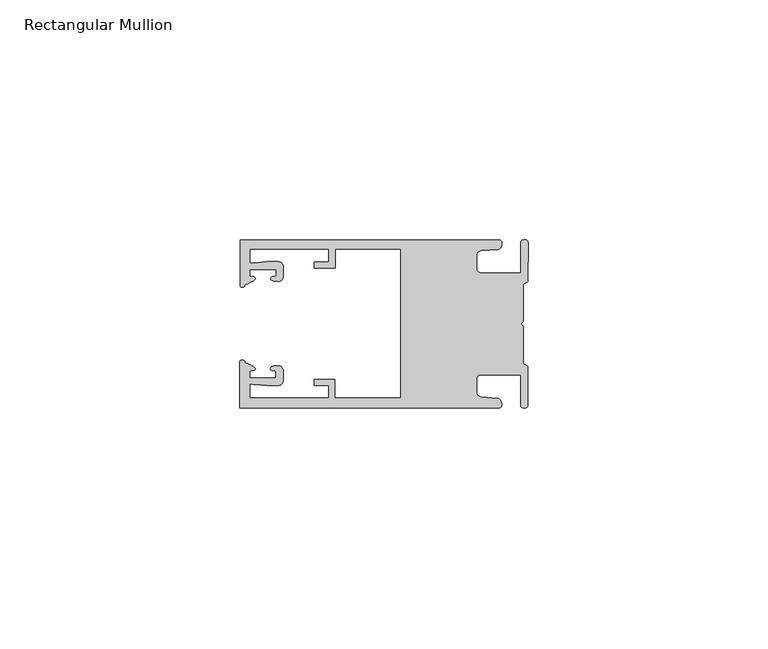
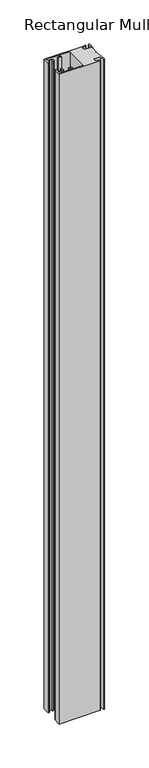
"""IFC4 building model written with IfcOpenShell, lengths in millimetres: member geometry, Rectangular Mullion."""

import ifcopenshell
import ifcopenshell.guid

model = None  # the IFC model being written
_history = None  # IfcOwnerHistory: only IFC2X3 demands one
_inside = {}  # id of a spatial element -> (the spatial element, [elements in it])
_under = {}  # id of a project, library or spatial element -> (it, [spatial elements below it])
_declared = {}  # id of a project -> (the project, [libraries it declares])
_typed = {}  # id of a type object -> (the type object, [elements of that type])
_made_of = {}  # id of a material, layer set ... -> (it, [elements and type objects made of it])


def new_model(schema):
    """Start an empty IFC model of exactly this schema.

    Asked for "IFC4X3", IfcOpenShell would pick the latest addendum, in which some entities
    have other attributes; the version numbers below select the first issue.
    IFC2X3 requires an IfcOwnerHistory on every rooted entity: one is made here for all.
    """
    global model, _history
    if schema == "IFC4X3":
        model = ifcopenshell.file(schema_version=(4, 3, 0, 0))
    else:
        model = ifcopenshell.file(schema=schema)
    _inside.clear()
    _under.clear()
    _declared.clear()
    _typed.clear()
    _made_of.clear()
    _history = None
    if model.schema == "IFC2X3":
        org = make("IfcOrganization", Name="unknown")
        user = make(
            "IfcPersonAndOrganization",
            ThePerson=make("IfcPerson", FamilyName="unknown"),
            TheOrganization=org,
        )
        app = make(
            "IfcApplication",
            ApplicationDeveloper=org,
            Version="unknown",
            ApplicationFullName="unknown",
            ApplicationIdentifier="unknown",
        )
        _history = make(
            "IfcOwnerHistory",
            OwningUser=user,
            OwningApplication=app,
            ChangeAction="ADDED",
            CreationDate=0,
        )
    return model


def make(cls, **values):
    """One entity of the class cls with the attributes given. An attribute that is None is left unset."""
    return model.create_entity(
        cls, **{name: value for name, value in values.items() if value is not None}
    )


def rooted(cls, **values):
    """An entity with a GlobalId (a new one), such as an element, a storey or a relation."""
    return make(cls, GlobalId=ifcopenshell.guid.new(), OwnerHistory=_history, **values)


def si_unit(unit_type, name, prefix=None):
    """IfcSIUnit, for example si_unit("LENGTHUNIT", "METRE", prefix="MILLI")."""
    return make("IfcSIUnit", UnitType=unit_type, Prefix=prefix, Name=name)


def assignment(units):
    """IfcUnitAssignment: the units of a project."""
    return None if units is None else make("IfcUnitAssignment", Units=units)


def point(xyz):
    """IfcCartesianPoint."""
    return None if xyz is None else make("IfcCartesianPoint", Coordinates=xyz)


def direction(xyz):
    """IfcDirection."""
    return None if xyz is None else make("IfcDirection", DirectionRatios=xyz)


def frame(location, z_axis=None, x_axis=None):
    """IfcAxis2Placement3D, a coordinate frame: its origin and axes. An axis left out is left unset."""
    return make(
        "IfcAxis2Placement3D",
        Location=point(location),
        Axis=direction(z_axis),
        RefDirection=direction(x_axis),
    )


def origin():
    """The frame at (0, 0, 0) with its axes left unset."""
    return frame((0.0, 0.0, 0.0))


def place(relative_to, where):
    """IfcLocalPlacement: puts the frame where relative to a parent placement (None: the world)."""
    return make(
        "IfcLocalPlacement", PlacementRelTo=relative_to, RelativePlacement=where
    )


def context(
    kind, dimensions, precision=None, world=None, true_north=None, identifier=None
):
    """IfcGeometricRepresentationContext, for example the 3D "Model" context."""
    return make(
        "IfcGeometricRepresentationContext",
        ContextIdentifier=identifier,
        ContextType=kind,
        CoordinateSpaceDimension=dimensions,
        Precision=precision,
        WorldCoordinateSystem=world,
        TrueNorth=true_north,
    )


def project(units=None, contexts=None):
    """IfcProject with its units and contexts."""
    return rooted(
        "IfcProject",
        Name="project",
        RepresentationContexts=contexts,
        UnitsInContext=assignment(units),
    )


def spatial(cls, under=None, at=None, **own):
    """A site, building, storey or space (cls), placed at a placement, below another one or the project."""
    s = rooted(cls, ObjectPlacement=at, **own)
    if under is not None:
        _under.setdefault(under.id(), (under, []))[1].append(s)
    return s


def circle_curve(where, radius):
    """IfcCircle in the frame where."""
    return make("IfcCircle", Position=where, Radius=radius)


def shape(context_of_items, identifier, shape_type, items):
    """IfcShapeRepresentation: the items that make up one representation, for example the "Body"."""
    return make(
        "IfcShapeRepresentation",
        ContextOfItems=context_of_items,
        RepresentationIdentifier=identifier,
        RepresentationType=shape_type,
        Items=items,
    )


def source(mapping_origin, context_of_items, identifier, shape_type, items):
    """IfcRepresentationMap: a shape defined once, which mapped items show again and again."""
    return make(
        "IfcRepresentationMap",
        MappingOrigin=mapping_origin,
        MappedRepresentation=shape(context_of_items, identifier, shape_type, items),
    )


def transform(
    local_origin,
    x_axis=None,
    y_axis=None,
    z_axis=None,
    scale=None,
    scale2=None,
    scale3=None,
    uniform=True,
):
    """IfcCartesianTransformationOperator3D, or its non-uniform kind. x_axis, y_axis, z_axis: its Axis1, 2, 3."""
    if uniform:
        return make(
            "IfcCartesianTransformationOperator3D",
            Axis1=direction(x_axis),
            Axis2=direction(y_axis),
            LocalOrigin=point(local_origin),
            Scale=scale,
            Axis3=direction(z_axis),
        )
    return make(
        "IfcCartesianTransformationOperator3DnonUniform",
        Axis1=direction(x_axis),
        Axis2=direction(y_axis),
        LocalOrigin=point(local_origin),
        Scale=scale,
        Axis3=direction(z_axis),
        Scale2=scale2,
        Scale3=scale3,
    )


def mapped(mapping_source, mapping_target):
    """IfcMappedItem: shows the shape of a source again, moved by a transform."""
    return make(
        "IfcMappedItem", MappingSource=mapping_source, MappingTarget=mapping_target
    )


def made_of(thing, what):
    """Note that an element or type object is made of a material, layer set ...; save() writes the relation."""
    if what is not None:
        _made_of.setdefault(what.id(), (what, []))[1].append(thing)
    return thing


def element(
    cls,
    number,
    at=None,
    inside=None,
    cuts=None,
    type_object=None,
    material=None,
    context=None,
    identifier="Body",
    shape_type=None,
    held_by="IfcProductDefinitionShape",
    body=None,
    shapes=None,
    **own,
):
    """One element of the class cls, such as IfcWall. Its Tag is "e" and its number.

    at: its placement. inside: the storey or other place that contains it. cuts: it is an
    opening in that element (IfcRelVoidsElement). A single representation is given by context,
    identifier, shape_type and body (its items); several are given by shapes. held_by: the class
    of the entity that holds the representations. save() writes the other relations.
    """
    e = rooted(cls, Tag="e%d" % number, ObjectPlacement=at, **own)
    if body is not None:
        shapes = [shape(context, identifier, shape_type, body)]
    if shapes is not None:
        e.Representation = make(held_by, Representations=shapes)
    if inside is not None:
        _inside.setdefault(inside.id(), (inside, []))[1].append(e)
    if cuts is not None:
        rooted(
            "IfcRelVoidsElement", RelatingBuildingElement=cuts, RelatedOpeningElement=e
        )
    if type_object is not None:
        _typed.setdefault(type_object.id(), (type_object, []))[1].append(e)
    return made_of(e, material)


def aggregate(whole, parts):
    """IfcRelAggregates: a whole, such as a stair, and the parts it consists of."""
    return rooted("IfcRelAggregates", RelatingObject=whole, RelatedObjects=parts)


def save(model, path):
    """Write the relations noted so far, then the file.

    IfcRelAggregates (storeys below a building ...), IfcRelContainedInSpatialStructure (elements
    in a storey), IfcRelDefinesByType, IfcRelAssociatesMaterial and IfcRelDeclares: one each for
    every whole, place, type object, material and project.
    """
    for whole, parts in _under.values():
        aggregate(whole, parts)
    for where, things in _inside.values():
        rooted(
            "IfcRelContainedInSpatialStructure",
            RelatedElements=things,
            RelatingStructure=where,
        )
    for kind, things in _typed.values():
        rooted("IfcRelDefinesByType", RelatedObjects=things, RelatingType=kind)
    for what, things in _made_of.values():
        rooted("IfcRelAssociatesMaterial", RelatedObjects=things, RelatingMaterial=what)
    for by, libraries in _declared.values():
        rooted("IfcRelDeclares", RelatingContext=by, RelatedDefinitions=libraries)
    model.write(path)


def plane_surface(at):
    """IfcPlane: the flat surface through the origin of the frame at, square to its z axis."""
    return make("IfcPlane", Position=at)


def cylinder_surface(at, radius):
    """IfcCylindricalSurface: all points at the distance radius from the z axis of the frame at."""
    return make("IfcCylindricalSurface", Position=at, Radius=radius)


def extruded_surface(curve, direction_of_extrusion, depth):
    """IfcSurfaceOfLinearExtrusion: the curve pushed along a direction by depth."""
    return make(
        "IfcSurfaceOfLinearExtrusion",
        SweptCurve=make("IfcArbitraryOpenProfileDef", ProfileType="CURVE", Curve=curve),
        ExtrudedDirection=direction(direction_of_extrusion),
        Depth=depth,
    )


def spline_curve(degree, points, multiplicities, knots, weights=None):
    """IfcBSplineCurveWithKnots; with weights, IfcRationalBSplineCurveWithKnots."""
    own = dict(
        Degree=degree,
        ControlPointsList=[point(p) for p in points],
        CurveForm="UNSPECIFIED",
        ClosedCurve=False,
        SelfIntersect=False,
        KnotMultiplicities=multiplicities,
        Knots=knots,
        KnotSpec="UNSPECIFIED",
    )
    if weights is None:
        return make("IfcBSplineCurveWithKnots", **own)
    return make("IfcRationalBSplineCurveWithKnots", WeightsData=weights, **own)


def advanced_brep(points, edges, surfaces, faces):
    """IfcAdvancedBrep: a solid bounded by faces that lie on surfaces and meet in shared edges.

    An edge is (start, end): straight between two places in points (the first is 0);
    or (start, end, curve); or (start, end, curve, False) where it runs against its curve.
    A face is (place in surfaces, loops), or (place, loops, False) where it looks against
    its surface's normal. A loop lists edges by number (the first is 1), with a minus sign
    where the edge is run from its end to its start. The first loop is the outer one.
    """
    corners = [point(p) for p in points]
    vertices = [make("IfcVertexPoint", VertexGeometry=c) for c in corners]
    made = []
    for start, end, *more in edges:
        made.append(
            make(
                "IfcEdgeCurve",
                EdgeStart=vertices[start],
                EdgeEnd=vertices[end],
                EdgeGeometry=more[0] if more else make("IfcPolyline", Points=[corners[start], corners[end]]),
                SameSense=more[1] if len(more) > 1 else True,
            )
        )
    hull = []
    for where, loops, *sense in faces:
        bounds = []
        for j, loop in enumerate(loops):
            ring = [make("IfcOrientedEdge", EdgeElement=made[abs(k) - 1], Orientation=k > 0) for k in loop]
            bounds.append(
                make(
                    "IfcFaceOuterBound" if j == 0 else "IfcFaceBound",
                    Bound=make("IfcEdgeLoop", EdgeList=ring),
                    Orientation=True,
                )
            )
        hull.append(make("IfcAdvancedFace", Bounds=bounds, FaceSurface=surfaces[where], SameSense=sense[0] if sense else True))
    return make("IfcAdvancedBrep", Outer=make("IfcClosedShell", CfsFaces=hull))


def rectangular_mullion_248843b6(model_context):
    return source(origin(), model_context, "Body", "AdvancedBrep", [
        advanced_brep(
        [(-60.0749377, 17.5111528, 0.0), (-60.0749377, 8.0140787, 0.0), (-59.3252567, 7.7187455, 0.0), (-58.4967974, 8.36785, 0.0), (-58.0726619, 10.1173923, 0.0), (-58.0713101, 11.3673916, 0.0), (-52.5713133, 11.3614437, 0.0), (-52.5726651, 10.1114444, 0.0), (-53.1427626, 8.8955539, 0.0), (-52.0740172, 8.8609044, 0.0), (-51.0729364, 9.8598224, 0.0), (-51.0706653, 11.9598211, 0.0), (-52.0700692, 12.9609024, 0.0), (-54.3905105, 12.9622843, 0.0), (-57.1599646, 12.7230061, 0.0), (-58.0696339, 12.9173907, 0.0), (-58.066768, 15.5673891, 0.0), (-41.5667584, 15.5673891, 0.0), (-41.5695894, 12.9495468, 0.0), (-44.5695877, 12.9527912, 0.0), (-44.5709936, 11.6527919, 0.0), (-40.2709961, 11.6481417, 0.0), (-40.2667576, 15.5673891, 0.0), (-26.6002952, 15.5673891, 0.0), (-26.6002952, -15.4518424, 0.0), (-40.3003032, -15.4518424, 0.0), (-40.2960856, -11.5518447, 0.0), (-44.5960831, -11.5471945, 0.0), (-44.597489, -12.8471938, 0.0), (-41.5974907, -12.8504381, 0.0), (-41.6003025, -15.4504366, 0.0), (-58.1002928, -15.4325927, 0.0), (-58.097427, -12.7825943, 0.0), (-57.1873395, -12.5901776, 0.0), (-54.4184094, -12.8354453, 0.0), (-52.0979705, -12.8390822, 0.0), (-51.0964037, -11.8401649, 0.0), (-51.0941327, -9.7401662, 0.0), (-52.0930507, -8.7390853, 0.0), (-53.1618685, -8.7714231, 0.0), (-52.5944022, -9.9885439, 0.0), (-52.595754, -11.2385431, 0.0), (-58.0957508, -11.2325952, 0.0), (-58.094399, -9.9825959, 0.0), (-58.5147494, -8.2321403, 0.0), (-59.3418028, -7.5812455, 0.0), (-60.0921208, -7.8749565, 0.0), (-60.0921208, -17.4888267, 0.0), (-6.1024861, -17.4888267, 0.0), (-6.5218639, -15.488372, 0.0), (-9.8784944, -15.2205466, 0.0), (-10.7989567, -14.2226333, 0.0), (-10.7961029, -11.5837474, 0.0), (-9.8734844, -10.5878272, 0.0), (-1.5950266, -10.5934991, 0.0), (-1.601948, -16.9936935, 0.0), (-0.1017194, -16.7830581, 0.0), (-0.0933208, -9.0170082, 0.0), (-1.0923837, -8.1499018, 0.0), (-1.0842165, -0.5977972, 0.0), (-1.0829111, 0.6093089, 0.0), (-1.0747439, 8.1614135, 0.0), (-0.0738079, 9.026357, 0.0), (-0.0654093, 16.7924069, 0.0), (-1.5651789, 17.0062866, 0.0), (-1.5651789, 10.6183257, 0.0), (-9.8505511, 10.6183257, 0.0), (-10.7710133, 11.6162391, 0.0), (-10.7681595, 14.255125, 0.0), (-9.845541, 15.2510452, 0.0), (-6.4883391, 15.5116099, 0.0), (-6.0646356, 17.5111528, 0.0), (-60.0749377, 17.5111528, -901.7), (-6.0646356, 17.5111528, -901.7), (-6.4883391, 15.5116099, -901.7), (-9.845541, 15.2510452, -901.7), (-10.7681595, 14.255125, -901.7), (-10.7710133, 11.6162391, -901.7), (-9.8505511, 10.6183257, -901.7), (-1.5651789, 10.6183257, -901.7), (-1.5651789, 17.0062866, -901.7), (-0.0654093, 16.7924069, -901.7), (-0.0738079, 9.026357, -901.7), (-1.0747439, 8.1614135, -901.7), (-1.0829111, 0.6093089, -901.7), (-1.0842165, -0.5977972, -901.7), (-1.0923837, -8.1499018, -901.7), (-0.0933208, -9.0170082, -901.7), (-0.1017194, -16.7830581, -901.7), (-1.601948, -16.9936935, -901.7), (-1.5950266, -10.5934991, -901.7), (-9.8734844, -10.5878272, -901.7), (-10.7961029, -11.5837474, -901.7), (-10.7989567, -14.2226333, -901.7), (-9.8784944, -15.2205466, -901.7), (-6.5218639, -15.488372, -901.7), (-6.1024861, -17.4888267, -901.7), (-60.0921208, -17.4888267, -901.7), (-60.0921208, -7.8749565, -901.7), (-59.3418028, -7.5812455, -901.7), (-58.5147494, -8.2321403, -901.7), (-58.094399, -9.9825959, -901.7), (-58.0957508, -11.2325952, -901.7), (-52.595754, -11.2385431, -901.7), (-52.5944022, -9.9885439, -901.7), (-53.1618685, -8.7714231, -901.7), (-52.0930507, -8.7390853, -901.7), (-51.0941327, -9.7401662, -901.7), (-51.0964037, -11.8401649, -901.7), (-52.0979705, -12.8390823, -901.7), (-54.4184094, -12.8354453, -901.7), (-57.1873395, -12.5901776, -901.7), (-58.097427, -12.7825943, -901.7), (-58.1002928, -15.4325927, -901.7), (-41.6003025, -15.4504366, -901.7), (-41.5974907, -12.8504381, -901.7), (-44.597489, -12.8471938, -901.7), (-44.5960831, -11.5471945, -901.7), (-40.2960856, -11.5518447, -901.7), (-40.3003032, -15.4518424, -901.7), (-26.6002952, -15.4518424, -901.7), (-26.6002952, 15.5673891, -901.7), (-40.2667576, 15.5673891, -901.7), (-40.2709961, 11.6481417, -901.7), (-44.5709936, 11.6527919, -901.7), (-44.5695877, 12.9527912, -901.7), (-41.5695894, 12.9495468, -901.7), (-41.5667584, 15.5673891, -901.7), (-58.066768, 15.5673891, -901.7), (-58.0696339, 12.9173907, -901.7), (-57.1599646, 12.7230061, -901.7), (-54.3905105, 12.9622843, -901.7), (-52.0700692, 12.9609023, -901.7), (-51.0706653, 11.9598211, -901.7), (-51.0729364, 9.8598224, -901.7), (-52.0740172, 8.8609044, -901.7), (-53.1427626, 8.8955539, -901.7), (-52.5726651, 10.1114444, -901.7), (-52.5713133, 11.3614437, -901.7), (-58.0713101, 11.3673916, -901.7), (-58.0726619, 10.1173923, -901.7), (-58.4967974, 8.36785, -901.7), (-59.3252567, 7.7187455, -901.7), (-60.0749377, 8.0140787, -901.7)],
        [
            (0, 1),
            (1, 2, spline_curve(3, [(-60.0749377, 8.0140787, 0.0), (-60.075233123, 7.740904774, 0.0), (-59.825339491, 7.642460332, 0.0), (-59.3252567, 7.7187455, 0.0)], [4, 4], [0.0, 0.0019169337574178654])),
            (2, 3, spline_curve(3, [(-59.3252567, 7.7187455, 0.0), (-59.094460914, 7.75918372, 0.0), (-59.054835463, 7.902257199, 0.0), (-59.05559987, 8.233305614, 0.0), (-59.138729113, 8.4134359, 0.0), (-58.4967974, 8.36785, 0.0)], [4, 2, 4], [0.0, 0.0010199524164107188, 0.0024874514725970356])),
            (3, 4, spline_curve(3, [(-58.4967974, 8.36785, 0.0), (-57.022393378, 9.053435667, 0.0), (-56.827266887, 9.364828726, 0.0), (-56.982213078, 9.742623404, 0.0), (-57.177375211, 9.855581791, 0.0), (-57.697928101, 9.887955071, 0.0), (-57.997449153, 9.835475348, 0.0), (-58.0726619, 10.1173923, 0.0)], [4, 2, 2, 4], [0.0, 0.003269869179570428, 0.005490050486237203, 0.0073545767114364426])),
            (4, 5),
            (5, 6),
            (6, 7),
            (7, 8, spline_curve(3, [(-52.5726651, 10.1114444, 0.0), (-52.667195519, 9.760172042, 0.0), (-52.937094388, 9.861877724, 0.0), (-53.356237032, 9.895631753, 0.0), (-53.491940439, 9.811038713, 0.0), (-53.761900775, 9.511438033, 0.0), (-53.892893546, 9.278787104, 0.0), (-53.1427626, 8.8955539, 0.0)], [4, 2, 2, 4], [0.0, 0.001593963049934732, 0.0033360256320283306, 0.005339140673503943])),
            (8, 9),
            (9, 10, circle_curve(frame((-52.0729358, 9.8609038, 0.0), z_axis=(0.0, 0.0, 1.0), x_axis=(-0.0010814451158600304, -0.9999994152380598, 0.0)), 1.0)),
            (10, 11),
            (11, 12, circle_curve(frame((-52.0706647, 11.9609026, 0.0), z_axis=(0.0, 0.0, 1.0), x_axis=(-0.0010814451158600304, -0.9999994152380598, 0.0)), 1.0)),
            (12, 13),
            (13, 14),
            (14, 15, spline_curve(3, [(-57.1599646, 12.7230061, 0.0), (-57.631533854, 12.682262968, 0.0), (-58.018602985, 12.477800124, 0.0), (-58.0696339, 12.9173907, 0.0)], [4, 4], [0.0, 0.0014803385355886016])),
            (15, 16),
            (16, 17),
            (17, 18),
            (18, 19),
            (19, 20),
            (20, 21),
            (21, 22),
            (22, 23),
            (23, 24),
            (24, 25),
            (25, 26),
            (26, 27),
            (27, 28),
            (28, 29),
            (29, 30),
            (30, 31),
            (31, 32),
            (32, 33, spline_curve(3, [(-58.097427, -12.7825943, 0.0), (-58.045445419, -12.343115126, 0.0), (-57.658819528, -12.548414611, 0.0), (-57.1873395, -12.5901776, 0.0)], [4, 4], [0.0, 0.0014803385355886016])),
            (33, 34),
            (34, 35),
            (35, 36, circle_curve(frame((-52.0964031, -11.8390835, 0.0), z_axis=(0.0, 0.0, 1.0), x_axis=(0.0010814451158600304, 0.9999994152380598, 0.0)), 1.0)),
            (36, 37),
            (37, 38, circle_curve(frame((-52.0941321, -9.7390847, 0.0), z_axis=(0.0, 0.0, 1.0), x_axis=(0.0010814451158600304, 0.9999994152380598, 0.0)), 1.0)),
            (38, 39),
            (39, 40, spline_curve(3, [(-53.1618685, -8.7714231, 0.0), (-53.912826582, -9.153032958, 0.0), (-53.782337352, -9.385966711, 0.0), (-53.51302565, -9.686150585, 0.0), (-53.377505444, -9.771037009, 0.0), (-52.958290774, -9.738189618, 0.0), (-52.688172635, -9.637067904, 0.0), (-52.5944022, -9.9885439, 0.0)], [4, 2, 2, 4], [0.0, 0.002003115041475612, 0.0037451776235692107, 0.005339140673503943])),
            (40, 41),
            (41, 42),
            (42, 43),
            (43, 44, spline_curve(3, [(-58.094399, -9.9825959, 0.0), (-58.018576674, -9.700842284, 0.0), (-57.719169706, -9.753969703, 0.0), (-57.198548014, -9.722722397, 0.0), (-57.003142178, -9.61018632, 0.0), (-56.847379222, -9.232727657, 0.0), (-57.041831673, -8.920913336, 0.0), (-58.5147494, -8.2321403, 0.0)], [4, 2, 2, 4], [0.0, 0.0018645262251992395, 0.004084707531866015, 0.0073545767114364426])),
            (44, 45, spline_curve(3, [(-58.5147494, -8.2321403, 0.0), (-59.156778208, -8.276337666, 0.0), (-59.073259494, -8.096387681, 0.0), (-59.071779067, -7.765341694, 0.0), (-59.111095017, -7.622182811, 0.0), (-59.3418028, -7.5812455, 0.0)], [4, 2, 4], [0.0, 0.0014674990561863168, 0.0024874514725970356])),
            (45, 46, spline_curve(3, [(-59.3418028, -7.5812455, 0.0), (-59.841719425, -7.503878887, 0.0), (-60.091825377, -7.601782574, 0.0), (-60.0921208, -7.8749565, 0.0)], [4, 4], [0.0, 0.0019169337574178654])),
            (46, 47),
            (47, 48),
            (48, 49, spline_curve(3, [(-6.1024861, -17.4888267, 0.0), (-5.074532184, -17.418062188, 0.0), (-5.631140689, -15.411414367, 0.0), (-6.5218639, -15.488372, 0.0)], [4, 4], [0.0, 0.0043819361547461745])),
            (49, 50),
            (50, 51, spline_curve(3, [(-9.8784944, -15.2205466, 0.0), (-10.440691543, -15.150698463, 0.0), (-10.74751234, -14.818060727, 0.0), (-10.7989567, -14.2226333, 0.0)], [4, 4], [0.0, 0.0028645797420738927])),
            (51, 52),
            (52, 53, spline_curve(3, [(-10.7961029, -11.5837474, 0.0), (-10.743370817, -10.988432634, 0.0), (-10.435831301, -10.656459204, 0.0), (-9.8734844, -10.5878272, 0.0)], [4, 4], [0.0, 0.0028645797420738927])),
            (53, 54),
            (54, 55),
            (55, 56, spline_curve(3, [(-1.601948, -16.9936935, 0.0), (-1.655676874, -17.600261454, 0.0), (-0.043737403, -17.912795581, 0.0), (-0.1017194, -16.7830581, 0.0)], [4, 4], [0.0, 0.0036987374396357936])),
            (56, 57),
            (57, 58, spline_curve(3, [(-0.0933208, -9.0170082, 0.0), (-0.018818183, -8.695886697, 0.0), (-1.193434327, -8.459763043, 0.0), (-1.0923837, -8.1499018, 0.0)], [4, 4], [0.0, 0.002027216749630121])),
            (58, 59),
            (59, 60, spline_curve(3, [(-1.0842165, -0.5977972, 0.0), (-1.013223198, -0.445980437, 0.0), (-1.487945123, -0.206736825, 0.0), (-1.487409651, 0.231097965, 0.0), (-0.999110985, 0.429090391, 0.0), (-1.0829111, 0.6093089, 0.0)], [4, 2, 4], [0.0, 0.00249866671847065, 0.005031402919736269])),
            (60, 61),
            (61, 62, spline_curve(3, [(-1.0747439, 8.1614135, 0.0), (-1.175124095, 8.47149258, 0.0), (-7e-09, 8.705075107, 0.0), (-0.0738079, 9.026357, 0.0)], [4, 4], [0.0, 0.002027216749630121])),
            (62, 63),
            (63, 64, spline_curve(3, [(-0.0654093, 16.7924069, 0.0), (-0.004983942, 17.92201633, 0.0), (-1.617595709, 17.612969344, 0.0), (-1.5651789, 17.0062866, 0.0)], [4, 4], [0.0, 0.0036987374396357936])),
            (64, 65),
            (65, 66),
            (66, 67, spline_curve(3, [(-9.8505511, 10.6183257, 0.0), (-10.412748243, 10.688173837, 0.0), (-10.71956894, 11.020811673, 0.0), (-10.7710133, 11.6162391, 0.0)], [4, 4], [0.0, 0.0028645797420738927])),
            (67, 68),
            (68, 69, spline_curve(3, [(-10.7681595, 14.255125, 0.0), (-10.715427417, 14.850439766, 0.0), (-10.407887901, 15.182413196, 0.0), (-9.845541, 15.2510452, 0.0)], [4, 4], [0.0, 0.0028645797420738927])),
            (69, 70),
            (70, 71, spline_curve(3, [(-6.4883391, 15.5116099, 0.0), (-5.597784423, 15.432725911, 0.0), (-5.036837144, 17.438165103, 0.0), (-6.0646356, 17.5111528, 0.0)], [4, 4], [0.0, 0.0043819361547461745])),
            (71, 0),
            (72, 73),
            (73, 74, spline_curve(3, [(-6.0646356, 17.5111528, -901.7), (-5.036837144, 17.438165103, -901.7), (-5.597784423, 15.432725911, -901.7), (-6.4883391, 15.5116099, -901.7)], [4, 4], [0.0, 0.0043819361547461745])),
            (74, 75),
            (75, 76, spline_curve(3, [(-9.845541, 15.2510452, -901.7), (-10.407887901, 15.182413196, -901.7), (-10.715427417, 14.850439766, -901.7), (-10.7681595, 14.255125, -901.7)], [4, 4], [0.0, 0.0028645797420738927])),
            (76, 77),
            (77, 78, spline_curve(3, [(-10.7710133, 11.6162391, -901.7), (-10.71956894, 11.020811673, -901.7), (-10.412748243, 10.688173837, -901.7), (-9.8505511, 10.6183257, -901.7)], [4, 4], [0.0, 0.0028645797420738927])),
            (78, 79),
            (79, 80),
            (80, 81, spline_curve(3, [(-1.5651789, 17.0062866, -901.7), (-1.617595709, 17.612969344, -901.7), (-0.004983942, 17.92201633, -901.7), (-0.0654093, 16.7924069, -901.7)], [4, 4], [0.0, 0.0036987374396357936])),
            (81, 82),
            (82, 83, spline_curve(3, [(-0.0738079, 9.026357, -901.7), (-7e-09, 8.705075107, -901.7), (-1.175124095, 8.47149258, -901.7), (-1.0747439, 8.1614135, -901.7)], [4, 4], [0.0, 0.002027216749630121])),
            (83, 84),
            (84, 85, spline_curve(3, [(-1.0829111, 0.6093089, -901.7), (-0.999110985, 0.429090391, -901.7), (-1.487409651, 0.231097965, -901.7), (-1.487945123, -0.206736825, -901.7), (-1.013223198, -0.445980437, -901.7), (-1.0842165, -0.5977972, -901.7)], [4, 2, 4], [0.0, 0.002532736201265619, 0.005031402919736269])),
            (85, 86),
            (86, 87, spline_curve(3, [(-1.0923837, -8.1499018, -901.7), (-1.193434327, -8.459763043, -901.7), (-0.018818183, -8.695886697, -901.7), (-0.0933208, -9.0170082, -901.7)], [4, 4], [0.0, 0.002027216749630121])),
            (87, 88),
            (88, 89, spline_curve(3, [(-0.1017194, -16.7830581, -901.7), (-0.043737403, -17.912795581, -901.7), (-1.655676874, -17.600261454, -901.7), (-1.601948, -16.9936935, -901.7)], [4, 4], [0.0, 0.0036987374396357936])),
            (89, 90),
            (90, 91),
            (91, 92, spline_curve(3, [(-9.8734844, -10.5878272, -901.7), (-10.435831301, -10.656459204, -901.7), (-10.743370817, -10.988432634, -901.7), (-10.7961029, -11.5837474, -901.7)], [4, 4], [0.0, 0.0028645797420738927])),
            (92, 93),
            (93, 94, spline_curve(3, [(-10.7989567, -14.2226333, -901.7), (-10.74751234, -14.818060727, -901.7), (-10.440691543, -15.150698463, -901.7), (-9.8784944, -15.2205466, -901.7)], [4, 4], [0.0, 0.0028645797420738927])),
            (94, 95),
            (95, 96, spline_curve(3, [(-6.5218639, -15.488372, -901.7), (-5.631140689, -15.411414367, -901.7), (-5.074532184, -17.418062188, -901.7), (-6.1024861, -17.4888267, -901.7)], [4, 4], [0.0, 0.0043819361547461745])),
            (96, 97),
            (97, 98),
            (98, 99, spline_curve(3, [(-60.0921208, -7.8749565, -901.7), (-60.091825377, -7.601782574, -901.7), (-59.841719425, -7.503878887, -901.7), (-59.3418028, -7.5812455, -901.7)], [4, 4], [0.0, 0.0019169337574178654])),
            (99, 100, spline_curve(3, [(-59.3418028, -7.5812455, -901.7), (-59.111095017, -7.622182811, -901.7), (-59.071779067, -7.765341694, -901.7), (-59.073259494, -8.096387681, -901.7), (-59.156778208, -8.276337666, -901.7), (-58.5147494, -8.2321403, -901.7)], [4, 2, 4], [0.0, 0.0010199524164107188, 0.0024874514725970356])),
            (100, 101, spline_curve(3, [(-58.5147494, -8.2321403, -901.7), (-57.041831673, -8.920913336, -901.7), (-56.847379222, -9.232727657, -901.7), (-57.003142178, -9.61018632, -901.7), (-57.198548014, -9.722722397, -901.7), (-57.719169706, -9.753969703, -901.7), (-58.018576674, -9.700842284, -901.7), (-58.094399, -9.9825959, -901.7)], [4, 2, 2, 4], [0.0, 0.003269869179570428, 0.005490050486237203, 0.0073545767114364426])),
            (101, 102),
            (102, 103),
            (103, 104),
            (104, 105, spline_curve(3, [(-52.5944022, -9.9885439, -901.7), (-52.688172635, -9.637067904, -901.7), (-52.958290774, -9.738189618, -901.7), (-53.377505444, -9.771037009, -901.7), (-53.51302565, -9.686150585, -901.7), (-53.782337352, -9.385966711, -901.7), (-53.912826582, -9.153032958, -901.7), (-53.1618685, -8.7714231, -901.7)], [4, 2, 2, 4], [0.0, 0.001593963049934732, 0.0033360256320283306, 0.005339140673503943])),
            (105, 106),
            (106, 107, circle_curve(frame((-52.0941321, -9.7390847, -901.7), z_axis=(0.0, 0.0, -1.0), x_axis=(0.0010814451158600304, 0.9999994152380598, 0.0)), 1.0)),
            (107, 108),
            (108, 109, circle_curve(frame((-52.0964031, -11.8390835, -901.7), z_axis=(0.0, 0.0, -1.0), x_axis=(0.0010814451158600304, 0.9999994152380598, 0.0)), 1.0)),
            (109, 110),
            (110, 111),
            (111, 112, spline_curve(3, [(-57.1873395, -12.5901776, -901.7), (-57.658819528, -12.548414611, -901.7), (-58.045445419, -12.343115126, -901.7), (-58.097427, -12.7825943, -901.7)], [4, 4], [0.0, 0.0014803385355886016])),
            (112, 113),
            (113, 114),
            (114, 115),
            (115, 116),
            (116, 117),
            (117, 118),
            (118, 119),
            (119, 120),
            (120, 121),
            (121, 122),
            (122, 123),
            (123, 124),
            (124, 125),
            (125, 126),
            (126, 127),
            (127, 128),
            (128, 129),
            (129, 130, spline_curve(3, [(-58.0696339, 12.9173907, -901.7), (-58.018602985, 12.477800124, -901.7), (-57.631533854, 12.682262968, -901.7), (-57.1599646, 12.7230061, -901.7)], [4, 4], [0.0, 0.0014803385355886016])),
            (130, 131),
            (131, 132),
            (132, 133, circle_curve(frame((-52.0706647, 11.9609026, -901.7), z_axis=(0.0, 0.0, -1.0), x_axis=(-0.0010814451158600304, -0.9999994152380598, 0.0)), 1.0)),
            (133, 134),
            (134, 135, circle_curve(frame((-52.0729358, 9.8609038, -901.7), z_axis=(0.0, 0.0, -1.0), x_axis=(-0.0010814451158600304, -0.9999994152380598, 0.0)), 1.0)),
            (135, 136),
            (136, 137, spline_curve(3, [(-53.1427626, 8.8955539, -901.7), (-53.892893546, 9.278787104, -901.7), (-53.761900775, 9.511438033, -901.7), (-53.491940439, 9.811038713, -901.7), (-53.356237032, 9.895631753, -901.7), (-52.937094388, 9.861877724, -901.7), (-52.667195519, 9.760172042, -901.7), (-52.5726651, 10.1114444, -901.7)], [4, 2, 2, 4], [0.0, 0.002003115041475612, 0.0037451776235692107, 0.005339140673503943])),
            (137, 138),
            (138, 139),
            (139, 140),
            (140, 141, spline_curve(3, [(-58.0726619, 10.1173923, -901.7), (-57.997449153, 9.835475348, -901.7), (-57.697928101, 9.887955071, -901.7), (-57.177375211, 9.855581791, -901.7), (-56.982213078, 9.742623404, -901.7), (-56.827266887, 9.364828726, -901.7), (-57.022393378, 9.053435667, -901.7), (-58.4967974, 8.36785, -901.7)], [4, 2, 2, 4], [0.0, 0.0018645262251992395, 0.004084707531866015, 0.0073545767114364426])),
            (141, 142, spline_curve(3, [(-58.4967974, 8.36785, -901.7), (-59.138729113, 8.4134359, -901.7), (-59.05559987, 8.233305614, -901.7), (-59.054835463, 7.902257199, -901.7), (-59.094460914, 7.75918372, -901.7), (-59.3252567, 7.7187455, -901.7)], [4, 2, 4], [0.0, 0.0014674990561863168, 0.0024874514725970356])),
            (142, 143, spline_curve(3, [(-59.3252567, 7.7187455, -901.7), (-59.825339491, 7.642460332, -901.7), (-60.075233123, 7.740904774, -901.7), (-60.0749377, 8.0140787, -901.7)], [4, 4], [0.0, 0.0019169337574178654])),
            (143, 72),
            (0, 72),
            (143, 1),
            (142, 2),
            (141, 3),
            (140, 4),
            (139, 5),
            (138, 6),
            (137, 7),
            (136, 8),
            (135, 9),
            (134, 10),
            (133, 11),
            (132, 12),
            (131, 13),
            (130, 14),
            (129, 15),
            (128, 16),
            (127, 17),
            (126, 18),
            (125, 19),
            (124, 20),
            (123, 21),
            (122, 22),
            (121, 23),
            (120, 24),
            (119, 25),
            (118, 26),
            (117, 27),
            (116, 28),
            (115, 29),
            (114, 30),
            (113, 31),
            (112, 32),
            (111, 33),
            (110, 34),
            (109, 35),
            (108, 36),
            (107, 37),
            (106, 38),
            (105, 39),
            (104, 40),
            (103, 41),
            (102, 42),
            (101, 43),
            (100, 44),
            (99, 45),
            (98, 46),
            (97, 47),
            (96, 48),
            (95, 49),
            (94, 50),
            (93, 51),
            (92, 52),
            (91, 53),
            (90, 54),
            (89, 55),
            (88, 56),
            (87, 57),
            (86, 58),
            (85, 59),
            (84, 60),
            (83, 61),
            (82, 62),
            (81, 63),
            (80, 64),
            (79, 65),
            (78, 66),
            (77, 67),
            (76, 68),
            (75, 69),
            (74, 70),
            (73, 71),
        ],
        [
            plane_surface(frame((0.0, -62.5853181, 0.0), z_axis=(0.0, 0.0, 1.0), x_axis=(-1.0, 0.0, 0.0))),
            plane_surface(frame((0.0, -62.5853181, -901.7), z_axis=(0.0, 0.0, -1.0), x_axis=(-1.0, 0.0, 0.0))),
            plane_surface(frame((-60.0749377, 17.5111528, 0.0), z_axis=(-1.0, 0.0, 0.0), x_axis=(0.0, 0.0, -1.0))),
            extruded_surface(spline_curve(3, [(-60.0749377, 8.0140787, -901.7), (-60.075233123, 7.740904774, -901.7), (-59.825339491, 7.642460332, -901.7), (-59.3252567, 7.7187455, -901.7)], [4, 4], [0.0, 0.0019169337574178654]), (0.0, 0.0, 901.7), 901.7),
            extruded_surface(spline_curve(3, [(-59.3252567, 7.7187455, -901.7), (-59.094460914, 7.75918372, -901.7), (-59.054835463, 7.902257199, -901.7), (-59.05559987, 8.233305614, -901.7), (-59.138729113, 8.4134359, -901.7), (-58.4967974, 8.36785, -901.7)], [4, 2, 4], [0.0, 0.0010199524164107188, 0.0024874514725970356]), (0.0, 0.0, 901.7), 901.7),
            extruded_surface(spline_curve(3, [(-58.4967974, 8.36785, -901.7), (-57.022393378, 9.053435667, -901.7), (-56.827266887, 9.364828726, -901.7), (-56.982213078, 9.742623404, -901.7), (-57.177375211, 9.855581791, -901.7), (-57.697928101, 9.887955071, -901.7), (-57.997449153, 9.835475348, -901.7), (-58.0726619, 10.1173923, -901.7)], [4, 2, 2, 4], [0.0, 0.003269869179570428, 0.005490050486237203, 0.0073545767114364426]), (0.0, 0.0, 901.7), 901.7),
            plane_surface(frame((-58.0726619, 10.1173923, 0.0), z_axis=(0.9999994152380598, -0.0010814451158634145, 0.0), x_axis=(0.0, 0.0, -1.0))),
            plane_surface(frame((-58.0713101, 11.3673916, 0.0), z_axis=(-0.0010814451158616418, -0.9999994152380598, 0.0), x_axis=(0.0, 0.0, -1.0))),
            plane_surface(frame((-52.5713133, 11.3614437, 0.0), z_axis=(-0.9999994152380598, 0.0010814451158643293, 0.0), x_axis=(0.0, 0.0, -1.0))),
            extruded_surface(spline_curve(3, [(-52.5726651, 10.1114444, -901.7), (-52.667195519, 9.760172042, -901.7), (-52.937094388, 9.861877724, -901.7), (-53.356237032, 9.895631753, -901.7), (-53.491940439, 9.811038713, -901.7), (-53.761900775, 9.511438033, -901.7), (-53.892893546, 9.278787104, -901.7), (-53.1427626, 8.8955539, -901.7)], [4, 2, 2, 4], [0.0, 0.001593963049934732, 0.0033360256320283306, 0.005339140673503943]), (0.0, 0.0, 901.7), 901.7),
            plane_surface(frame((-53.1427626, 8.8955539, 0.0), z_axis=(-0.032403661401520414, -0.9994748634797054, 0.0), x_axis=(0.0, 0.0, -1.0))),
            cylinder_surface(frame((-52.0729358, 9.8609038, 0.0), z_axis=(0.0, 0.0, 1.0000000000000002), x_axis=(-0.0010814451158600304, -0.9999994152380598, 0.0)), 1.0),
            plane_surface(frame((-51.0729364, 9.8598224, 0.0), z_axis=(0.9999994152380598, -0.001081445115864059, 0.0), x_axis=(0.0, 0.0, -1.0))),
            cylinder_surface(frame((-52.0706647, 11.9609026, 0.0), z_axis=(0.0, 0.0, 1.0000000000000002), x_axis=(-0.0010814451158600304, -0.9999994152380598, 0.0)), 1.0),
            plane_surface(frame((-52.0700692, 12.9609023, 0.0), z_axis=(0.0005955716436318007, 0.999999822647193, 0.0), x_axis=(0.0, 0.0, -1.0))),
            plane_surface(frame((-54.3905105, 12.9622843, 0.0), z_axis=(-0.08607836189159865, 0.9962883697073147, 0.0), x_axis=(0.0, 0.0, -1.0))),
            extruded_surface(spline_curve(3, [(-57.1599646, 12.7230061, -901.7), (-57.631533854, 12.682262968, -901.7), (-58.018602985, 12.477800124, -901.7), (-58.0696339, 12.9173907, -901.7)], [4, 4], [0.0, 0.0014803385355886016]), (0.0, 0.0, 901.7), 901.7),
            plane_surface(frame((-58.0696339, 12.9173907, 0.0), z_axis=(0.9999994152380598, -0.0010814451158629996, 0.0), x_axis=(0.0, 0.0, -1.0))),
            plane_surface(frame((-58.066768, 15.5673891, 0.0), z_axis=(0.0, -1.0, 0.0), x_axis=(0.0, 0.0, -1.0))),
            plane_surface(frame((-41.5667584, 15.5673891, 0.0), z_axis=(-0.9999994152380598, 0.0010814451158636304, 0.0), x_axis=(0.0, 0.0, -1.0))),
            plane_surface(frame((-41.5695894, 12.9495468, 0.0), z_axis=(0.0010814451158615687, 0.9999994152380598, 0.0), x_axis=(0.0, 0.0, -1.0))),
            plane_surface(frame((-44.5695877, 12.9527912, 0.0), z_axis=(-0.9999994152380598, 0.0010814451158626742, 0.0), x_axis=(0.0, 0.0, -1.0))),
            plane_surface(frame((-44.5709936, 11.6527919, 0.0), z_axis=(-0.001081445115861604, -0.9999994152380598, 0.0), x_axis=(0.0, 0.0, -1.0))),
            plane_surface(frame((-40.2709961, 11.6481417, 0.0), z_axis=(0.9999994152380598, -0.001081445115863507, 0.0), x_axis=(0.0, 0.0, -1.0))),
            plane_surface(frame((-40.2667576, 15.5673891, 0.0), z_axis=(0.0, -1.0, 0.0), x_axis=(0.0, 0.0, -1.0))),
            plane_surface(frame((-26.6002952, 15.5673891, 0.0), z_axis=(-1.0, 0.0, 0.0), x_axis=(0.0, 0.0, -1.0))),
            plane_surface(frame((-26.6002952, -15.4518424, 0.0), z_axis=(0.0, 1.0, 0.0), x_axis=(0.0, 0.0, -1.0))),
            plane_surface(frame((-40.3003032, -15.4518424, 0.0), z_axis=(0.9999994152380598, -0.0010814451158565538, 0.0), x_axis=(0.0, 0.0, -1.0))),
            plane_surface(frame((-40.2960856, -11.5518447, 0.0), z_axis=(0.0010814451158584568, 0.9999994152380598, 0.0), x_axis=(0.0, 0.0, -1.0))),
            plane_surface(frame((-44.5960831, -11.5471945, 0.0), z_axis=(-0.9999994152380598, 0.0010814451158573867, 0.0), x_axis=(0.0, 0.0, -1.0))),
            plane_surface(frame((-44.597489, -12.8471938, 0.0), z_axis=(-0.0010814451158584922, -0.9999994152380598, 0.0), x_axis=(0.0, 0.0, -1.0))),
            plane_surface(frame((-41.5974907, -12.8504381, 0.0), z_axis=(-0.9999994152380598, 0.0010814451158564305, 0.0), x_axis=(0.0, 0.0, -1.0))),
            plane_surface(frame((-41.6003025, -15.4504366, 0.0), z_axis=(0.0010814451158583872, 0.9999994152380598, 0.0), x_axis=(0.0, 0.0, -1.0))),
            plane_surface(frame((-58.1002928, -15.4325927, 0.0), z_axis=(0.9999994152380598, -0.0010814451158570612, 0.0), x_axis=(0.0, 0.0, -1.0))),
            extruded_surface(spline_curve(3, [(-58.097427, -12.7825943, -901.7), (-58.045445419, -12.343115126, -901.7), (-57.658819528, -12.548414611, -901.7), (-57.1873395, -12.5901776, -901.7)], [4, 4], [0.0, 0.0014803385355886016]), (0.0, 0.0, 901.7), 901.7),
            plane_surface(frame((-57.1873395, -12.5901776, 0.0), z_axis=(-0.0882330216729926, -0.9960998614026876, 0.0), x_axis=(0.0, 0.0, -1.0))),
            plane_surface(frame((-54.4184094, -12.8354453, 0.0), z_axis=(-0.0015673183327880543, -0.9999987717558677, 0.0), x_axis=(0.0, 0.0, -1.0))),
            cylinder_surface(frame((-52.0964031, -11.8390835, 0.0), z_axis=(0.0, 0.0, 1.0000000000000002), x_axis=(0.0010814451158600304, 0.9999994152380598, 0.0)), 1.0),
            plane_surface(frame((-51.0964037, -11.8401649, 0.0), z_axis=(0.9999994152380598, -0.001081445115856002, 0.0), x_axis=(0.0, 0.0, -1.0))),
            cylinder_surface(frame((-52.0941321, -9.7390847, 0.0), z_axis=(0.0, 0.0, 1.0000000000000002), x_axis=(0.0010814451158600304, 0.9999994152380598, 0.0)), 1.0),
            plane_surface(frame((-52.0930507, -8.7390853, 0.0), z_axis=(-0.030241832452872642, 0.9995426111826812, 0.0), x_axis=(0.0, 0.0, -1.0))),
            extruded_surface(spline_curve(3, [(-53.1618685, -8.7714231, -901.7), (-53.912826582, -9.153032958, -901.7), (-53.782337352, -9.385966711, -901.7), (-53.51302565, -9.686150585, -901.7), (-53.377505444, -9.771037009, -901.7), (-52.958290774, -9.738189618, -901.7), (-52.688172635, -9.637067904, -901.7), (-52.5944022, -9.9885439, -901.7)], [4, 2, 2, 4], [0.0, 0.002003115041475612, 0.0037451776235692107, 0.005339140673503943]), (0.0, 0.0, 901.7), 901.7),
            plane_surface(frame((-52.5944022, -9.9885439, 0.0), z_axis=(-0.9999994152380598, 0.0010814451158557316, 0.0), x_axis=(0.0, 0.0, -1.0))),
            plane_surface(frame((-52.595754, -11.2385431, 0.0), z_axis=(0.001081445115858419, 0.9999994152380598, 0.0), x_axis=(0.0, 0.0, -1.0))),
            plane_surface(frame((-58.0957508, -11.2325952, 0.0), z_axis=(0.9999994152380598, -0.0010814451158566464, 0.0), x_axis=(0.0, 0.0, -1.0))),
            extruded_surface(spline_curve(3, [(-58.094399, -9.9825959, -901.7), (-58.018576674, -9.700842284, -901.7), (-57.719169706, -9.753969703, -901.7), (-57.198548014, -9.722722397, -901.7), (-57.003142178, -9.61018632, -901.7), (-56.847379222, -9.232727657, -901.7), (-57.041831673, -8.920913336, -901.7), (-58.5147494, -8.2321403, -901.7)], [4, 2, 2, 4], [0.0, 0.0018645262251992395, 0.004084707531866015, 0.0073545767114364426]), (0.0, 0.0, 901.7), 901.7),
            extruded_surface(spline_curve(3, [(-58.5147494, -8.2321403, -901.7), (-59.156778208, -8.276337666, -901.7), (-59.073259494, -8.096387681, -901.7), (-59.071779067, -7.765341694, -901.7), (-59.111095017, -7.622182811, -901.7), (-59.3418028, -7.5812455, -901.7)], [4, 2, 4], [0.0, 0.0014674990561863168, 0.0024874514725970356]), (0.0, 0.0, 901.7), 901.7),
            extruded_surface(spline_curve(3, [(-59.3418028, -7.5812455, -901.7), (-59.841719425, -7.503878887, -901.7), (-60.091825377, -7.601782574, -901.7), (-60.0921208, -7.8749565, -901.7)], [4, 4], [0.0, 0.0019169337574178654]), (0.0, 0.0, 901.7), 901.7),
            plane_surface(frame((-60.0921208, -7.8749565, 0.0), z_axis=(-1.0, 0.0, 0.0), x_axis=(0.0, 0.0, -1.0))),
            plane_surface(frame((-60.0921208, -17.4888267, 0.0), z_axis=(0.0, -1.0, 0.0), x_axis=(0.0, 0.0, -1.0))),
            extruded_surface(spline_curve(3, [(-6.1024861, -17.4888267, -901.7), (-5.074532184, -17.418062188, -901.7), (-5.631140689, -15.411414367, -901.7), (-6.5218639, -15.488372, -901.7)], [4, 4], [0.0, 0.0043819361547461745]), (0.0, 0.0, 901.7), 901.7),
            plane_surface(frame((-6.5218639, -15.488372, 0.0), z_axis=(0.07953716124904908, 0.9968319015663789, 0.0), x_axis=(0.0, 0.0, -1.0))),
            extruded_surface(spline_curve(3, [(-9.8784944, -15.2205466, -901.7), (-10.440691543, -15.150698463, -901.7), (-10.74751234, -14.818060727, -901.7), (-10.7989567, -14.2226333, -901.7)], [4, 4], [0.0, 0.0028645797420738927]), (0.0, 0.0, 901.7), 901.7),
            plane_surface(frame((-10.7989567, -14.2226333, 0.0), z_axis=(0.9999994152380598, -0.0010814451158568247, 0.0), x_axis=(0.0, 0.0, -1.0))),
            extruded_surface(spline_curve(3, [(-10.7961029, -11.5837474, -901.7), (-10.743370817, -10.988432634, -901.7), (-10.435831301, -10.656459204, -901.7), (-9.8734844, -10.5878272, -901.7)], [4, 4], [0.0, 0.0028645797420738927]), (0.0, 0.0, 901.7), 901.7),
            plane_surface(frame((-9.8734844, -10.5878272, 0.0), z_axis=(-0.0006851371995361226, -0.9999997652934814, 0.0), x_axis=(0.0, 0.0, -1.0))),
            plane_surface(frame((-1.5950266, -10.5934991, 0.0), z_axis=(-0.9999994152380598, 0.0010814451158568644, 0.0), x_axis=(0.0, 0.0, -1.0))),
            extruded_surface(spline_curve(3, [(-1.601948, -16.9936935, -901.7), (-1.655676874, -17.600261454, -901.7), (-0.043737403, -17.912795581, -901.7), (-0.1017194, -16.7830581, -901.7)], [4, 4], [0.0, 0.0036987374396357936]), (0.0, 0.0, 901.7), 901.7),
            plane_surface(frame((-0.1017194, -16.7830581, 0.0), z_axis=(0.9999994152380598, -0.001081445115856699, 0.0), x_axis=(0.0, 0.0, -1.0))),
            extruded_surface(spline_curve(3, [(-0.0933208, -9.0170082, -901.7), (-0.018818183, -8.695886697, -901.7), (-1.193434327, -8.459763043, -901.7), (-1.0923837, -8.1499018, -901.7)], [4, 4], [0.0, 0.002027216749630121]), (0.0, 0.0, 901.7), 901.7),
            plane_surface(frame((-1.0923837, -8.1499018, 0.0), z_axis=(0.9999994152380598, -0.0010814451158566698, 0.0), x_axis=(0.0, 0.0, -1.0))),
            extruded_surface(spline_curve(3, [(-1.0842165, -0.5977972, -901.7), (-1.013223198, -0.445980437, -901.7), (-1.487945123, -0.206736825, -901.7), (-1.487409651, 0.231097965, -901.7), (-0.999110985, 0.429090391, -901.7), (-1.0829111, 0.6093089, -901.7)], [4, 2, 4], [0.0, 0.00249866671847065, 0.005031402919736269]), (0.0, 0.0, 901.7), 901.7),
            plane_surface(frame((-1.0829111, 0.6093089, 0.0), z_axis=(0.9999994152380598, -0.001081445115863391, 0.0), x_axis=(0.0, 0.0, -1.0))),
            extruded_surface(spline_curve(3, [(-1.0747439, 8.1614135, -901.7), (-1.175124095, 8.47149258, -901.7), (-7e-09, 8.705075107, -901.7), (-0.0738079, 9.026357, -901.7)], [4, 4], [0.0, 0.002027216749630121]), (0.0, 0.0, 901.7), 901.7),
            plane_surface(frame((-0.0738079, 9.026357, 0.0), z_axis=(0.9999994152380598, -0.001081445115863362, 0.0), x_axis=(0.0, 0.0, -1.0))),
            extruded_surface(spline_curve(3, [(-0.0654093, 16.7924069, -901.7), (-0.004983942, 17.92201633, -901.7), (-1.617595709, 17.612969344, -901.7), (-1.5651789, 17.0062866, -901.7)], [4, 4], [0.0, 0.0036987374396357936]), (0.0, 0.0, 901.7), 901.7),
            plane_surface(frame((-1.5651789, 17.0062866, 0.0), z_axis=(-1.0, 0.0, 0.0), x_axis=(0.0, 0.0, -1.0))),
            plane_surface(frame((-1.5651789, 10.6183257, 0.0), z_axis=(0.0, 1.0, 0.0), x_axis=(0.0, 0.0, -1.0))),
            extruded_surface(spline_curve(3, [(-9.8505511, 10.6183257, -901.7), (-10.412748243, 10.688173837, -901.7), (-10.71956894, 11.020811673, -901.7), (-10.7710133, 11.6162391, -901.7)], [4, 4], [0.0, 0.0028645797420738927]), (0.0, 0.0, 901.7), 901.7),
            plane_surface(frame((-10.7710133, 11.6162391, 0.0), z_axis=(0.9999994152380598, -0.0010814451158632362, 0.0), x_axis=(0.0, 0.0, -1.0))),
            extruded_surface(spline_curve(3, [(-10.7681595, 14.255125, -901.7), (-10.715427417, 14.850439766, -901.7), (-10.407887901, 15.182413196, -901.7), (-9.845541, 15.2510452, -901.7)], [4, 4], [0.0, 0.0028645797420738927]), (0.0, 0.0, 901.7), 901.7),
            plane_surface(frame((-9.845541, 15.2510452, 0.0), z_axis=(0.07738093848608862, -0.9970015999781607, 0.0), x_axis=(0.0, 0.0, -1.0))),
            extruded_surface(spline_curve(3, [(-6.4883391, 15.5116099, -901.7), (-5.597784423, 15.432725911, -901.7), (-5.036837144, 17.438165103, -901.7), (-6.0646356, 17.5111528, -901.7)], [4, 4], [0.0, 0.0043819361547461745]), (0.0, 0.0, 901.7), 901.7),
            plane_surface(frame((-6.0646356, 17.5111528, 0.0), z_axis=(0.0, 1.0, 0.0), x_axis=(0.0, 0.0, -1.0))),
        ],
        [
            (0, [[1, 2, 3, 4, 5, 6, 7, 8, 9, 10, 11, 12, 13, 14, 15, 16, 17, 18, 19, 20, 21, 22, 23, 24, 25, 26, 27, 28, 29, 30, 31, 32, 33, 34, 35, 36, 37, 38, 39, 40, 41, 42, 43, 44, 45, 46, 47, 48, 49, 50, 51, 52, 53, 54, 55, 56, 57, 58, 59, 60, 61, 62, 63, 64, 65, 66, 67, 68, 69, 70, 71, 72]]),
            (1, [[73, 74, 75, 76, 77, 78, 79, 80, 81, 82, 83, 84, 85, 86, 87, 88, 89, 90, 91, 92, 93, 94, 95, 96, 97, 98, 99, 100, 101, 102, 103, 104, 105, 106, 107, 108, 109, 110, 111, 112, 113, 114, 115, 116, 117, 118, 119, 120, 121, 122, 123, 124, 125, 126, 127, 128, 129, 130, 131, 132, 133, 134, 135, 136, 137, 138, 139, 140, 141, 142, 143, 144]]),
            (2, [[-1, 145, -144, 146]]),
            (3, [[-2, -146, -143, 147]]),
            (4, [[-3, -147, -142, 148]]),
            (5, [[-4, -148, -141, 149]]),
            (6, [[-5, -149, -140, 150]]),
            (7, [[-6, -150, -139, 151]]),
            (8, [[-7, -151, -138, 152]]),
            (9, [[-8, -152, -137, 153]]),
            (10, [[-9, -153, -136, 154]]),
            (11, [[-10, -154, -135, 155]]),
            (12, [[-11, -155, -134, 156]]),
            (13, [[-12, -156, -133, 157]]),
            (14, [[-13, -157, -132, 158]]),
            (15, [[-14, -158, -131, 159]]),
            (16, [[-15, -159, -130, 160]]),
            (17, [[-16, -160, -129, 161]]),
            (18, [[-17, -161, -128, 162]]),
            (19, [[-18, -162, -127, 163]]),
            (20, [[-19, -163, -126, 164]]),
            (21, [[-20, -164, -125, 165]]),
            (22, [[-21, -165, -124, 166]]),
            (23, [[-22, -166, -123, 167]]),
            (24, [[-23, -167, -122, 168]]),
            (25, [[-24, -168, -121, 169]]),
            (26, [[-25, -169, -120, 170]]),
            (27, [[-26, -170, -119, 171]]),
            (28, [[-27, -171, -118, 172]]),
            (29, [[-28, -172, -117, 173]]),
            (30, [[-29, -173, -116, 174]]),
            (31, [[-30, -174, -115, 175]]),
            (32, [[-31, -175, -114, 176]]),
            (33, [[-32, -176, -113, 177]]),
            (34, [[-33, -177, -112, 178]]),
            (35, [[-34, -178, -111, 179]]),
            (36, [[-35, -179, -110, 180]]),
            (37, [[-36, -180, -109, 181]]),
            (38, [[-37, -181, -108, 182]]),
            (39, [[-38, -182, -107, 183]]),
            (40, [[-39, -183, -106, 184]]),
            (41, [[-40, -184, -105, 185]]),
            (42, [[-41, -185, -104, 186]]),
            (43, [[-42, -186, -103, 187]]),
            (44, [[-43, -187, -102, 188]]),
            (45, [[-44, -188, -101, 189]]),
            (46, [[-45, -189, -100, 190]]),
            (47, [[-46, -190, -99, 191]]),
            (48, [[-47, -191, -98, 192]]),
            (49, [[-48, -192, -97, 193]]),
            (50, [[-49, -193, -96, 194]]),
            (51, [[-50, -194, -95, 195]]),
            (52, [[-51, -195, -94, 196]]),
            (53, [[-52, -196, -93, 197]]),
            (54, [[-53, -197, -92, 198]]),
            (55, [[-54, -198, -91, 199]]),
            (56, [[-55, -199, -90, 200]]),
            (57, [[-56, -200, -89, 201]]),
            (58, [[-57, -201, -88, 202]]),
            (59, [[-58, -202, -87, 203]]),
            (60, [[-59, -203, -86, 204]]),
            (61, [[-60, -204, -85, 205]]),
            (62, [[-61, -205, -84, 206]]),
            (63, [[-62, -206, -83, 207]]),
            (64, [[-63, -207, -82, 208]]),
            (65, [[-64, -208, -81, 209]]),
            (66, [[-65, -209, -80, 210]]),
            (67, [[-66, -210, -79, 211]]),
            (68, [[-67, -211, -78, 212]]),
            (69, [[-68, -212, -77, 213]]),
            (70, [[-69, -213, -76, 214]]),
            (71, [[-70, -214, -75, 215]]),
            (72, [[-71, -215, -74, 216]]),
            (73, [[-72, -216, -73, -145]]),
        ],
    ),
    ])


if __name__ == "__main__":
    model = new_model("IFC4")
    model_context = context("Model", 3, world=origin())
    ifc_project = project(units=[si_unit("LENGTHUNIT", "METRE", prefix="MILLI")], contexts=[model_context])
    site = spatial("IfcSite", under=ifc_project)
    building = spatial("IfcBuilding", under=site)
    placement = place(None, origin())
    rectangular_mullion_shape = rectangular_mullion_248843b6(model_context)
    element("IfcMember", 1, ObjectType="Rectangular Mullion", at=placement, inside=building, context=model_context, shape_type="MappedRepresentation", body=[
        mapped(rectangular_mullion_shape, transform((0.0, 0.0, 0.0), x_axis=(1.0, 0.0, 0.0), y_axis=(0.0, 1.0, 0.0), z_axis=(0.0, 0.0, 1.0))),
    ])
    save(model, "model.ifc")
